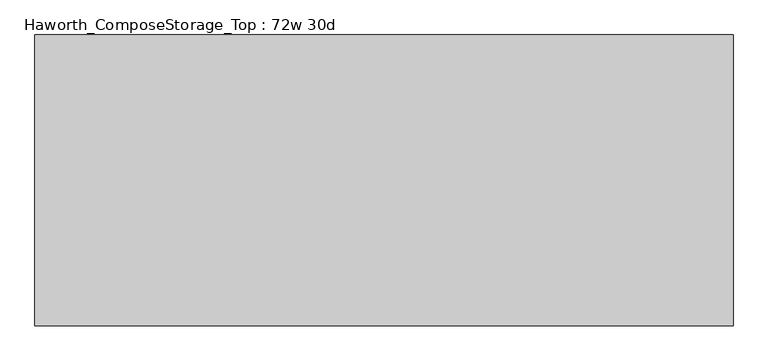
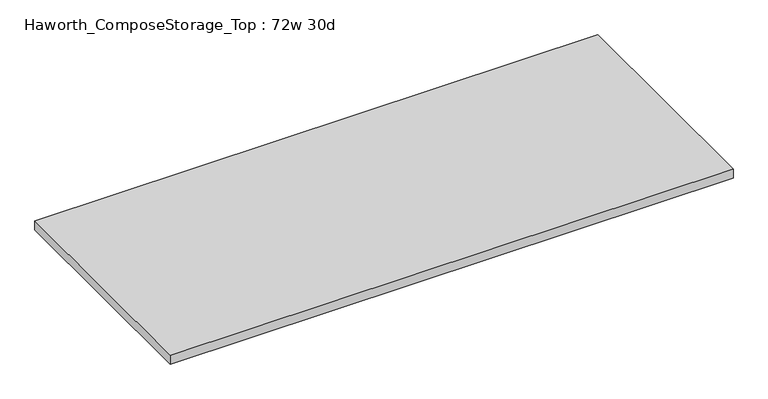
"""IFC4 building model written with IfcOpenShell, lengths in millimetres: furniture geometry, Haworth_ComposeStorage_Top : 72w 30d."""

from ifc_helpers import new_model, si_unit, frame, origin, place, context, project, spatial, polyline, outline, extrude, source, transform, mapped, element, save


def haworth_composestorage_top_72w_30d_2d942bea(model_context):
    return source(origin(), model_context, "Body", "SweptSolid", [
        extrude(outline(polyline([(914.4, 381.0), (914.4, -381.0), (-914.4, -381.0), (-914.4, 381.0), (914.4, 381.0)])), frame((0.0, 0.0, 706.4375), z_axis=(0.0, 0.0, 1.0), x_axis=(1.0, 0.0, 0.0)), (0.0, 0.0, 1.0), 30.1625),
    ])


if __name__ == "__main__":
    model = new_model("IFC4")
    model_context = context("Model", 3, world=origin())
    ifc_project = project(units=[si_unit("LENGTHUNIT", "METRE", prefix="MILLI")], contexts=[model_context])
    site = spatial("IfcSite", under=ifc_project)
    building = spatial("IfcBuilding", under=site)
    placement = place(None, origin())
    haworth_composestorage_top_72w_30d_shape = haworth_composestorage_top_72w_30d_2d942bea(model_context)
    element("IfcFurniture", 1, ObjectType="Haworth_ComposeStorage_Top : 72w 30d", at=placement, inside=building, context=model_context, shape_type="MappedRepresentation", body=[
        mapped(haworth_composestorage_top_72w_30d_shape, transform((0.0, 0.0, 0.0), x_axis=(1.0, 0.0, 0.0), y_axis=(0.0, 1.0, 0.0), z_axis=(0.0, 0.0, 1.0))),
    ])
    save(model, "model.ifc")
